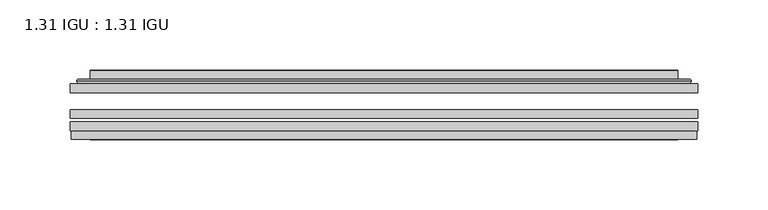
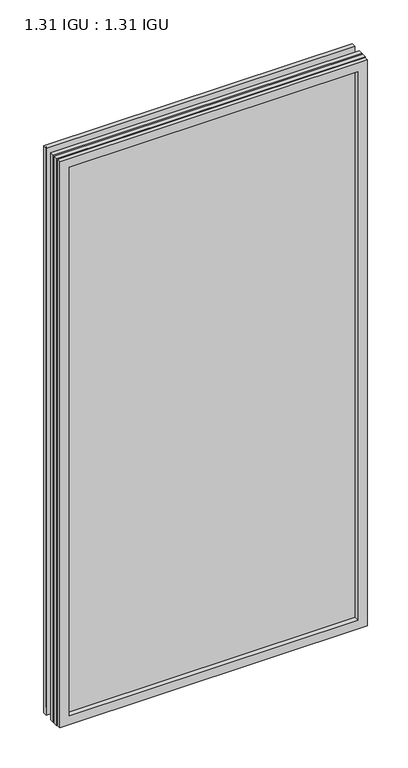
"""IFC4 building model written with IfcOpenShell, lengths in millimetres: plate geometry, 1.31 IGU : 1.31 IGU."""

from ifc_helpers import new_model, si_unit, frame, origin, place, context, project, spatial, polyline, ellipse_curve, outline, extrude, faceted_brep, source, transform, mapped, element, save
from ifc_brep_helpers import plane_surface, cylinder_surface, advanced_brep


def plate_1_31_igu_1_31_igu_732ae3d2(model_context):
    return source(origin(), model_context, "Body", "SolidModel", [
        extrude(outline(polyline([(223.851675, -63.59525), (223.851675, -69.94525), (-223.8375, -69.94525), (-223.8375, -63.59525), (223.851675, -63.59525)])), frame((0.0, 0.0, -14.2875), z_axis=(0.0, 0.0, 1.0), x_axis=(1.0, 0.0, 0.0)), (0.0, 0.0, 1.0), 869.9537979),
        extrude(outline(polyline([(-223.8375, -78.58125), (-223.8375, -72.230745), (223.851675, -72.230745), (223.851675, -78.58125), (-223.8375, -78.58125)])), frame((0.0, 0.0, -14.2875), z_axis=(0.0, 0.0, 1.0), x_axis=(1.0, 0.0, 0.0)), (0.0, 0.0, 1.0), 869.9537979),
        extrude(outline(polyline([(223.851675, -45.25645), (223.851675, -51.60645), (-223.8375, -51.60645), (-223.8375, -45.25645), (223.851675, -45.25645)])), frame((0.0, 0.0, -14.2875), z_axis=(0.0, 0.0, 1.0), x_axis=(1.0, 0.0, 0.0)), (0.0, 0.0, 1.0), 869.9537979),
        faceted_brep([(-223.1373142, -84.93125, 854.9623142), (-223.1373142, -78.58125, 854.9623142), (-223.1373142, -78.58125, -13.5873142), (-223.1373142, -84.93125, -13.5873142), (223.1373142, -78.58125, -13.5873142), (223.1373142, -84.93125, -13.5873142), (223.1373142, -78.58125, 854.9623142), (223.1373142, -84.93125, 854.9623142), (-208.6522559, -78.58125, 0.8977441), (208.6522559, -78.58125, 0.8977441), (208.6522559, -78.58125, 840.4772559), (-208.6522559, -78.58125, 840.4772559), (-209.5446902, -84.93125, 841.3696902), (209.5446902, -84.93125, 841.3696902), (209.5446902, -84.93125, 0.0053098), (-209.5446902, -84.93125, 0.0053098)], [[[0, 1, 2, 3]], [[3, 2, 4, 5]], [[5, 4, 6, 7]], [[1, 6, 4, 2], [8, 9, 10, 11]], [[7, 6, 1, 0]], [[3, 5, 7, 0], [12, 13, 14, 15]], [[11, 12, 15, 8]], [[8, 15, 14, 9]], [[9, 14, 13, 10]], [[10, 13, 12, 11]]]),
        advanced_brep(
        [(-216.596219, -45.25645, 848.4212191), (-218.9504244, -43.2667833, 850.7754244), (-218.9504244, -43.2667833, -9.4004244), (-216.596219, -45.25645, -7.046219), (-207.5218939, -41.416413, 839.3468939), (-202.5870621, -45.25645, 834.4120621), (-202.5870621, -45.25645, 6.9629379), (-207.5218939, -41.416413, 2.0281061), (-208.5539217, -36.0191819, 840.3789217), (-208.5539217, -36.0191819, 0.9960783), (-209.5445784, -35.6202069, 841.3695784), (-209.5445784, -35.6202069, 0.0054216), (-209.5445784, -42.08145, 841.3695784), (-209.5445784, -42.08145, 0.0054216), (-217.9486349, -42.08145, 849.7736349), (-217.9486349, -42.08145, -8.3986349), (218.9504244, -43.2667833, -9.4004244), (216.596219, -45.25645, -7.046219), (202.5870621, -45.25645, 6.9629379), (207.5218939, -41.416413, 2.0281061), (208.5539217, -36.0191819, 0.9960783), (209.5445784, -35.6202069, 0.0054216), (209.5445784, -42.08145, 0.0054216), (217.9486349, -42.08145, -8.3986349), (218.9504244, -43.2667833, 850.7754244), (216.596219, -45.25645, 848.4212191), (202.5870621, -45.25645, 834.4120621), (207.5218939, -41.416413, 839.3468939), (208.5539217, -36.0191819, 840.3789217), (209.5445784, -35.6202069, 841.3695784), (209.5445784, -42.08145, 841.3695784), (217.9486349, -42.08145, 849.7736349)],
        [
            (0, 1, ellipse_curve(frame((-216.596219, -42.86885, 848.4212191), z_axis=(-0.7071067811865475, 0.0, -0.7071067811865475), x_axis=(-0.7071067811865474, 0.0, 0.7071067811865476)), 3.3765763, 2.3876)),
            (1, 2),
            (2, 3, ellipse_curve(frame((-216.596219, -42.86885, -7.046219), z_axis=(-0.7071067811865475, 0.0, 0.7071067811865475), x_axis=(0.7071067811865474, 0.0, 0.7071067811865476)), 3.3765763, 2.3876)),
            (3, 0),
            (4, 5),
            (5, 6),
            (6, 7),
            (7, 4),
            (8, 4),
            (7, 9),
            (9, 8),
            (10, 8, ellipse_curve(frame((-209.1776219, -36.1384423, 841.0026219), z_axis=(-0.7071067811865475, 0.0, -0.7071067811865475), x_axis=(-0.7071067811865474, 0.0, 0.7071067811865476)), 0.8980256, 0.635)),
            (9, 11, ellipse_curve(frame((-209.1776219, -36.1384423, 0.3723781), z_axis=(-0.7071067811865475, 0.0, 0.7071067811865475), x_axis=(0.7071067811865474, 0.0, 0.7071067811865476)), 0.8980256, 0.635)),
            (11, 10),
            (12, 10),
            (11, 13),
            (13, 12),
            (1, 14, ellipse_curve(frame((-217.9486349, -43.09745, 849.7736349), z_axis=(-0.7071067811865475, 0.0, -0.7071067811865475), x_axis=(-0.7071067811865474, 0.0, 0.7071067811865476)), 1.436841, 1.016)),
            (14, 15),
            (15, 2, ellipse_curve(frame((-217.9486349, -43.09745, -8.3986349), z_axis=(-0.7071067811865475, 0.0, 0.7071067811865475), x_axis=(0.7071067811865474, 0.0, 0.7071067811865476)), 1.436841, 1.016)),
            (2, 16),
            (16, 17, ellipse_curve(frame((216.596219, -42.86885, -7.046219), z_axis=(-0.7071067811865475, 0.0, -0.7071067811865475), x_axis=(-0.7071067811865476, 0.0, 0.7071067811865474)), 3.3765763, 2.3876)),
            (17, 3),
            (6, 18),
            (18, 19),
            (19, 7),
            (19, 20),
            (20, 9),
            (20, 21, ellipse_curve(frame((209.1776219, -36.1384423, 0.3723781), z_axis=(-0.7071067811865475, 0.0, -0.7071067811865475), x_axis=(-0.7071067811865476, 0.0, 0.7071067811865474)), 0.8980256, 0.635)),
            (21, 11),
            (21, 22),
            (22, 13),
            (15, 23),
            (23, 16, ellipse_curve(frame((217.9486349, -43.09745, -8.3986349), z_axis=(-0.7071067811865475, 0.0, -0.7071067811865475), x_axis=(-0.7071067811865476, 0.0, 0.7071067811865474)), 1.436841, 1.016)),
            (16, 24),
            (24, 25, ellipse_curve(frame((216.596219, -42.86885, 848.4212191), z_axis=(0.7071067811865475, 0.0, -0.7071067811865475), x_axis=(-0.7071067811865474, 0.0, -0.7071067811865476)), 3.3765763, 2.3876)),
            (25, 17),
            (18, 26),
            (26, 27),
            (27, 19),
            (27, 28),
            (28, 20),
            (28, 29, ellipse_curve(frame((209.1776219, -36.1384423, 841.0026219), z_axis=(0.7071067811865475, 0.0, -0.7071067811865475), x_axis=(-0.7071067811865474, 0.0, -0.7071067811865476)), 0.8980256, 0.635)),
            (29, 21),
            (29, 30),
            (30, 22),
            (23, 31),
            (31, 24, ellipse_curve(frame((217.9486349, -43.09745, 849.7736349), z_axis=(0.7071067811865475, 0.0, -0.7071067811865475), x_axis=(-0.7071067811865474, 0.0, -0.7071067811865476)), 1.436841, 1.016)),
            (24, 1),
            (0, 25),
            (5, 26),
            (4, 27),
            (8, 28),
            (10, 29),
            (12, 30),
            (14, 31),
        ],
        [
            cylinder_surface(frame((-216.596219, -42.86885, 873.125), z_axis=(0.0, 0.0, 1.0), x_axis=(-1.0, 0.0, 0.0)), 2.3876),
            plane_surface(frame((-202.5870621, -45.25645, 834.4120621), z_axis=(0.6141233906514794, 0.7892100234124821, 0.0), x_axis=(0.0, 0.0, -1.0))),
            plane_surface(frame((-207.5218939, -41.416413, 839.3468939), z_axis=(0.9822050625507729, 0.18781164793386076, 0.0), x_axis=(0.0, 0.0, -1.0))),
            cylinder_surface(frame((-209.1776219, -36.1384423, 873.125), z_axis=(0.0, 0.0, 1.0), x_axis=(-1.0, 0.0, 0.0)), 0.635),
            plane_surface(frame((-209.5445784, -35.6202069, 841.3695784), z_axis=(-1.0, 0.0, 0.0), x_axis=(0.0, 0.0, -1.0))),
            cylinder_surface(frame((-217.9486349, -43.09745, 873.125), z_axis=(0.0, 0.0, 1.0), x_axis=(-1.0, 0.0, 0.0)), 1.016),
            cylinder_surface(frame((-241.3, -42.86885, -7.046219), z_axis=(-1.0, 0.0, 0.0), x_axis=(0.0, 0.0, -1.0)), 2.3876),
            plane_surface(frame((-202.5870621, -45.25645, 6.9629379), z_axis=(0.0, 0.7892100234124841, 0.6141233906514768), x_axis=(1.0, 0.0, 0.0))),
            plane_surface(frame((-207.5218939, -41.416413, 2.0281061), z_axis=(0.0, 0.18781164793386393, 0.9822050625507723), x_axis=(1.0, 0.0, 0.0))),
            cylinder_surface(frame((-241.3, -36.1384423, 0.3723781), z_axis=(-1.0, 0.0, 0.0), x_axis=(0.0, 0.0, -1.0)), 0.635),
            plane_surface(frame((-209.5445784, -35.6202069, 0.0054216), z_axis=(0.0, 0.0, -1.0), x_axis=(1.0, 0.0, 0.0))),
            cylinder_surface(frame((-241.3, -43.09745, -8.3986349), z_axis=(-1.0, 0.0, 0.0), x_axis=(0.0, 0.0, -1.0)), 1.016),
            cylinder_surface(frame((216.596219, -42.86885, -31.75), z_axis=(0.0, 0.0, -1.0), x_axis=(1.0, 0.0, 0.0)), 2.3876),
            plane_surface(frame((202.5870621, -45.25645, 6.9629379), z_axis=(-0.6141233906514743, 0.7892100234124861, 0.0), x_axis=(0.0, 0.0, 1.0))),
            plane_surface(frame((207.5218939, -41.416413, 2.0281061), z_axis=(-0.9822050625507718, 0.1878116479338671, 0.0), x_axis=(0.0, 0.0, 1.0))),
            cylinder_surface(frame((209.1776219, -36.1384423, -31.75), z_axis=(0.0, 0.0, -1.0), x_axis=(1.0, 0.0, 0.0)), 0.635),
            plane_surface(frame((209.5445784, -35.6202069, 0.0054216), z_axis=(1.0, 0.0, 0.0), x_axis=(0.0, 0.0, 1.0))),
            cylinder_surface(frame((217.9486349, -43.09745, -31.75), z_axis=(0.0, 0.0, -1.0), x_axis=(1.0, 0.0, 0.0)), 1.016),
            cylinder_surface(frame((241.3, -42.86885, 848.4212191), z_axis=(1.0, 0.0, 0.0), x_axis=(0.0, 0.0, 1.0)), 2.3876),
            plane_surface(frame((216.596219, -45.25645, 848.4212191), z_axis=(0.0, -1.0, 0.0), x_axis=(-1.0, 0.0, 0.0))),
            plane_surface(frame((202.5870621, -45.25645, 834.4120621), z_axis=(0.0, 0.7892100234124841, -0.6141233906514768), x_axis=(-1.0, 0.0, 0.0))),
            plane_surface(frame((207.5218939, -41.416413, 839.3468939), z_axis=(0.0, 0.18781164793386393, -0.9822050625507723), x_axis=(-1.0, 0.0, 0.0))),
            cylinder_surface(frame((241.3, -36.1384423, 841.0026219), z_axis=(1.0, 0.0, 0.0), x_axis=(0.0, 0.0, 1.0)), 0.635),
            plane_surface(frame((209.5445784, -35.6202069, 841.3695784), z_axis=(0.0, 0.0, 1.0), x_axis=(-1.0, 0.0, 0.0))),
            plane_surface(frame((209.5445784, -42.08145, 841.3695784), z_axis=(0.0, 1.0, 0.0), x_axis=(-1.0, 0.0, 0.0))),
            cylinder_surface(frame((241.3, -43.09745, 849.7736349), z_axis=(1.0, 0.0, 0.0), x_axis=(0.0, 0.0, 1.0)), 1.016),
        ],
        [
            (0, [[1, 2, 3, 4]]),
            (1, [[5, 6, 7, 8]]),
            (2, [[9, -8, 10, 11]]),
            (3, [[12, -11, 13, 14]]),
            (4, [[15, -14, 16, 17]]),
            (5, [[18, 19, 20, -2]]),
            (6, [[-3, 21, 22, 23]]),
            (7, [[-7, 24, 25, 26]]),
            (8, [[-10, -26, 27, 28]]),
            (9, [[-13, -28, 29, 30]]),
            (10, [[-16, -30, 31, 32]]),
            (11, [[-20, 33, 34, -21]]),
            (12, [[-22, 35, 36, 37]]),
            (13, [[-25, 38, 39, 40]]),
            (14, [[-27, -40, 41, 42]]),
            (15, [[-29, -42, 43, 44]]),
            (16, [[-31, -44, 45, 46]]),
            (17, [[-34, 47, 48, -35]]),
            (18, [[-36, 49, -1, 50]]),
            (19, [[-23, -37, -50, -4], [51, -38, -24, -6]]),
            (20, [[-39, -51, -5, 52]]),
            (21, [[-41, -52, -9, 53]]),
            (22, [[-43, -53, -12, 54]]),
            (23, [[-45, -54, -15, 55]]),
            (24, [[56, -47, -33, -19], [-32, -46, -55, -17]]),
            (25, [[-48, -56, -18, -49]]),
        ],
    ),
    ])


if __name__ == "__main__":
    model = new_model("IFC4")
    model_context = context("Model", 3, world=origin())
    ifc_project = project(units=[si_unit("LENGTHUNIT", "METRE", prefix="MILLI")], contexts=[model_context])
    site = spatial("IfcSite", under=ifc_project)
    building = spatial("IfcBuilding", under=site)
    placement = place(None, origin())
    plate_1_31_igu_1_31_igu_shape = plate_1_31_igu_1_31_igu_732ae3d2(model_context)
    element("IfcPlate", 1, ObjectType="1.31 IGU : 1.31 IGU", at=placement, inside=building, context=model_context, shape_type="MappedRepresentation", body=[
        mapped(plate_1_31_igu_1_31_igu_shape, transform((0.0, 0.0, 0.0), x_axis=(1.0, 0.0, 0.0), y_axis=(0.0, 1.0, 0.0), z_axis=(0.0, 0.0, 1.0))),
    ])
    save(model, "model.ifc")
